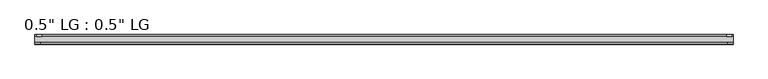
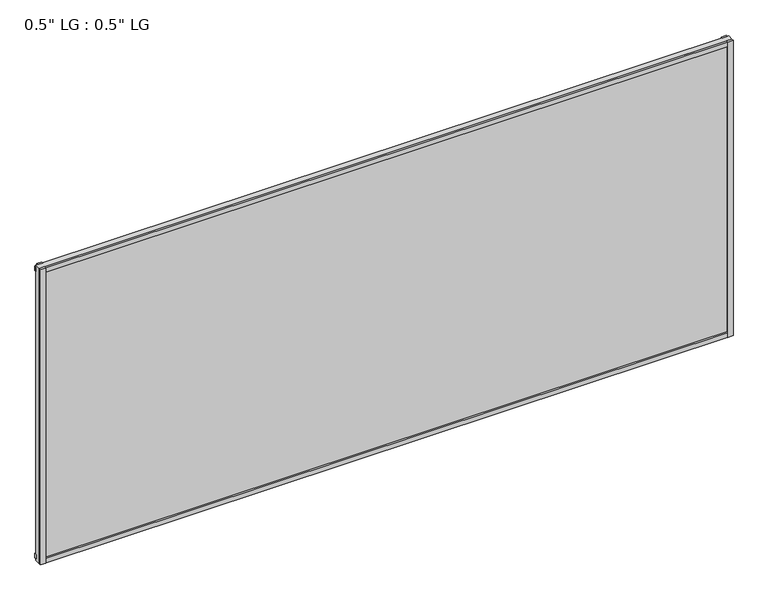
"""IFC4 building model written with IfcOpenShell, lengths in millimetres: plate geometry."""

from ifc_helpers import new_model, si_unit, frame, origin, origin_with_axes, place, context, project, spatial, polyline, outline, extrude, source, transform, mapped, element, save


def plate_48f58f88(model_context):
    return source(origin(), model_context, "Body", "SweptSolid", [
        extrude(outline(polyline([(825.5, -33.3271813), (825.5, -38.0007813), (813.3623204, -38.0007813), (813.3623204, -33.3271813), (825.5, -33.3271813)])), origin_with_axes(), (0.0, 0.0, 1.0), 744.6980689),
        extrude(outline(polyline([(821.9686463, -15.5217813), (821.9686463, -19.7127813), (809.9562225, -19.7127813), (809.9562225, -15.5217813), (821.9686463, -15.5217813)])), origin_with_axes(), (0.0, 0.0, 1.0), 744.6980689),
        extrude(outline(polyline([(-813.209422, -38.0007812), (-825.5, -38.0007812), (-825.5, -33.3271813), (-813.209422, -33.3271813), (-813.209422, -38.0007812)])), origin_with_axes(), (0.0, 0.0, 1.0), 744.6980689),
        extrude(outline(polyline([(-809.2501841, -19.7127813), (-821.5407621, -19.7127813), (-821.5407621, -15.5217812), (-809.2501841, -15.5217812), (-809.2501841, -19.7127813)])), origin_with_axes(), (0.0, 0.0, 1.0), 744.6980689),
        extrude(outline(polyline([(825.5, -33.3271813), (825.5, -38.0007813), (-825.5, -38.0007812), (-825.5, -33.3271813), (825.5, -33.3271813)])), origin_with_axes(), (0.0, 0.0, 1.0), 11.1693096),
        extrude(outline(polyline([(825.5, -15.3590708), (825.5, -20.1364307), (-825.5, -20.1364307), (-825.5, -15.3590708), (825.5, -15.3590708)])), frame((0.0, 0.0, 3.848913), z_axis=(0.0, 0.0, 1.0), x_axis=(1.0, 0.0, 0.0)), (0.0, 0.0, 1.0), 11.1693096),
        extrude(outline(polyline([(825.5, -33.3271813), (825.5, -38.0007813), (-825.5, -38.0007812), (-825.5, -33.3271812), (825.5, -33.3271813)])), frame((0.0, 0.0, 733.516963), z_axis=(0.0, 0.0, 1.0), x_axis=(1.0, 0.0, 0.0)), (0.0, 0.0, 1.0), 11.1811058),
        extrude(outline(polyline([(825.5, -15.5217813), (825.5, -19.7127813), (-825.5, -19.7127812), (-825.5, -15.5217813), (825.5, -15.5217813)])), frame((0.0, 0.0, 728.9578163), z_axis=(0.0, 0.0, 1.0), x_axis=(1.0, 0.0, 0.0)), (0.0, 0.0, 1.0), 11.1811058),
        extrude(outline(polyline([(825.5, -33.3271812), (-825.5, -33.3271812), (-825.5, -19.7127812), (825.5, -19.7127812), (825.5, -33.3271812)])), origin_with_axes(), (0.0, 0.0, 1.0), 744.6980689),
    ])


if __name__ == "__main__":
    model = new_model("IFC4")
    model_context = context("Model", 3, world=origin())
    ifc_project = project(units=[si_unit("LENGTHUNIT", "METRE", prefix="MILLI")], contexts=[model_context])
    site = spatial("IfcSite", under=ifc_project)
    building = spatial("IfcBuilding", under=site)
    placement = place(None, origin())
    plate_shape = plate_48f58f88(model_context)
    element("IfcPlate", 1, ObjectType="0.5\" LG : 0.5\" LG", at=placement, inside=building, context=model_context, shape_type="MappedRepresentation", body=[
        mapped(plate_shape, transform((0.0, 0.0, 0.0), x_axis=(1.0, 0.0, 0.0), y_axis=(0.0, 1.0, 0.0), z_axis=(0.0, 0.0, 1.0))),
    ])
    save(model, "model.ifc")
